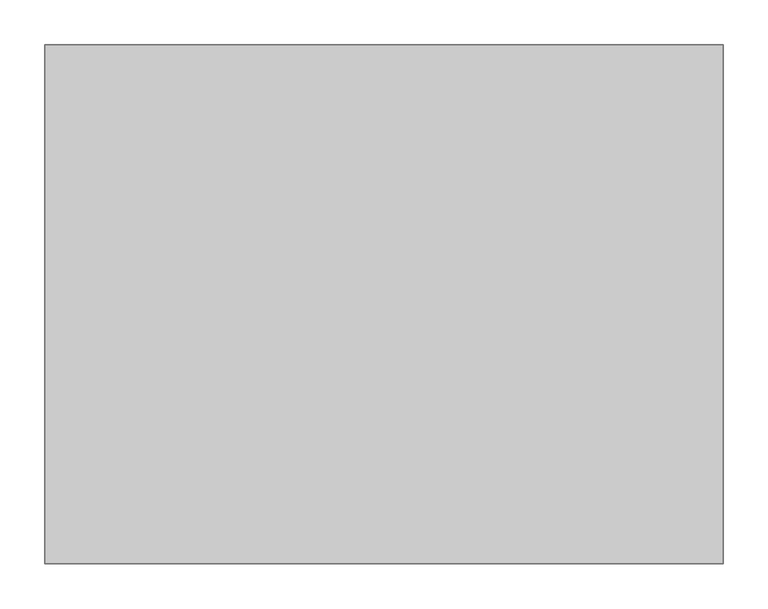
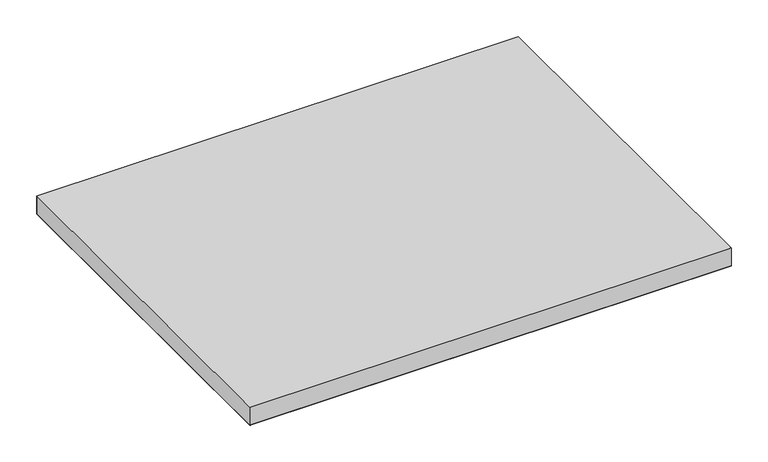
"""IFC4 building model written with IfcOpenShell, lengths in millimetres: furniture geometry."""

from ifc_helpers import new_model, si_unit, origin, place, context, project, spatial, triangles, source, transform, mapped, element, save


def furniture_86023232(model_context):
    return source(origin(), model_context, "Body", "Tessellation", [
        triangles([(760.4759651, -1.524, 725.4240349), (1.524, -1.524, 725.4240349), (1.524, -582.6759893, 725.4240349), (760.4759651, -582.6759893, 725.4240349), (760.4759651, -1.524, 695.5536198), (760.4759651, -582.6759893, 695.5536198), (1.524, -582.6759893, 695.5536198), (1.524, -1.524, 695.5536198)], [[1, 2, 3], [1, 3, 4], [5, 6, 7], [5, 7, 8]], closed=False),
        triangles([(1.524, -1.524, 725.4240349), (760.4759651, -1.524, 725.4240349), (760.4759651, -1.524, 695.5536198), (1.524, -1.524, 695.5536198), (1.524, -582.6759893, 695.5536198), (760.4759651, -582.6759893, 695.5536198), (760.4759651, -582.6759893, 725.4240349), (1.524, -582.6759893, 725.4240349)], [[1, 2, 3], [1, 3, 4], [5, 6, 7], [5, 7, 8], [5, 8, 1], [5, 1, 4], [2, 7, 6], [2, 6, 3]], closed=False),
    ])


if __name__ == "__main__":
    model = new_model("IFC4")
    model_context = context("Model", 3, world=origin())
    ifc_project = project(units=[si_unit("LENGTHUNIT", "METRE", prefix="MILLI")], contexts=[model_context])
    site = spatial("IfcSite", under=ifc_project)
    building = spatial("IfcBuilding", under=site)
    placement = place(None, origin())
    furniture_shape = furniture_86023232(model_context)
    element("IfcFurniture", 1, at=placement, inside=building, context=model_context, shape_type="MappedRepresentation", body=[
        mapped(furniture_shape, transform((0.0, 0.0, 0.0), x_axis=(1.0, 0.0, 0.0), y_axis=(0.0, 1.0, 0.0), z_axis=(0.0, 0.0, 1.0))),
    ])
    save(model, "model.ifc")
